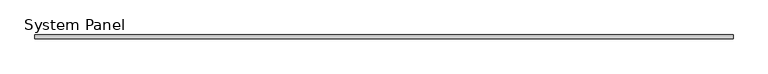
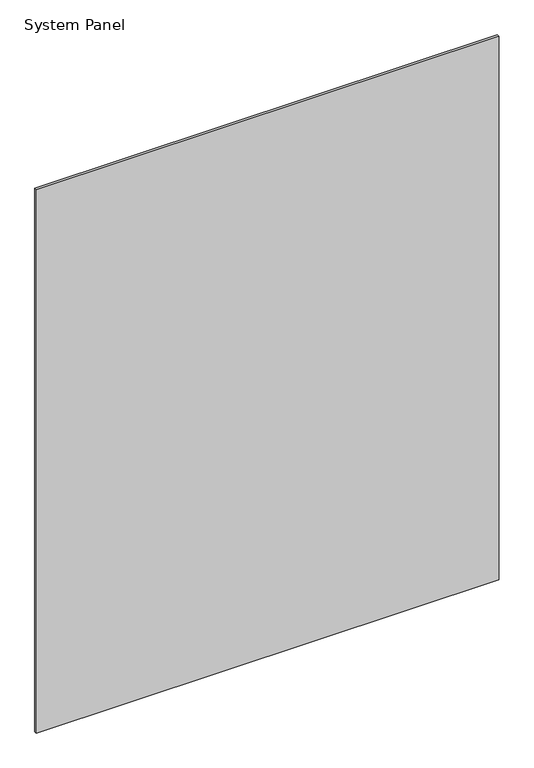
"""IFC4 building model written with IfcOpenShell, lengths in millimetres: plate geometry, System Panel."""

from ifc_helpers import new_model, si_unit, origin, origin_with_axes, place, context, project, spatial, polyline, outline, extrude, source, transform, mapped, element, save


def system_panel_21588c65(model_context):
    return source(origin(), model_context, "Body", "SweptSolid", [
        extrude(outline(polyline([(587.3876052, 18.0), (-587.3876052, 18.0), (-587.3876052, 24.6), (587.3876052, 24.6), (587.3876052, 18.0)])), origin_with_axes(), (0.0, 0.0, 1.0), 1457.325),
    ])


if __name__ == "__main__":
    model = new_model("IFC4")
    model_context = context("Model", 3, world=origin())
    ifc_project = project(units=[si_unit("LENGTHUNIT", "METRE", prefix="MILLI")], contexts=[model_context])
    site = spatial("IfcSite", under=ifc_project)
    building = spatial("IfcBuilding", under=site)
    placement = place(None, origin())
    system_panel_shape = system_panel_21588c65(model_context)
    element("IfcPlate", 1, ObjectType="System Panel", at=placement, inside=building, context=model_context, shape_type="MappedRepresentation", body=[
        mapped(system_panel_shape, transform((0.0, 0.0, 0.0), x_axis=(1.0, 0.0, 0.0), y_axis=(0.0, 1.0, 0.0), z_axis=(0.0, 0.0, 1.0))),
    ])
    save(model, "model.ifc")
